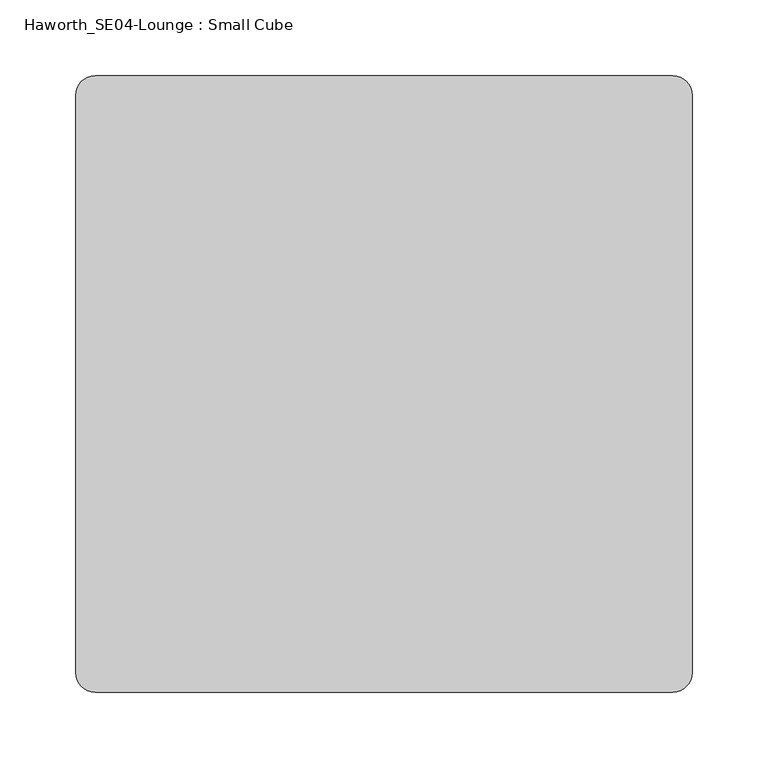
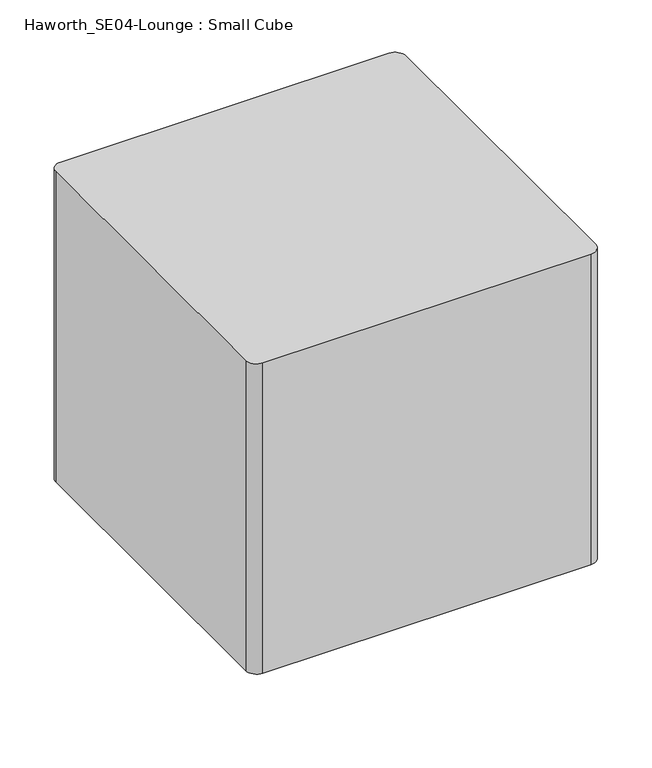
"""IFC4 building model written with IfcOpenShell, lengths in millimetres: furniture geometry, Haworth_SE04-Lounge : Small Cube."""

from ifc_helpers import new_model, si_unit, point, frame, frame_2d, origin, origin_with_axes, place, context, project, spatial, polyline, circle_curve, trimmed, segment, composite_curve, outline, extrude, source, transform, mapped, element, save


def haworth_se04_lounge_small_cube_48782dab(model_context):
    return source(origin(), model_context, "Body", "SweptSolid", [
        extrude(outline(composite_curve([segment(trimmed(circle_curve(frame_2d((-101.6, 101.6)), 34.925), [point((-136.525, 101.6))], [point((-66.675, 101.6))], False, "CARTESIAN"), True, "CONTINUOUS"), segment(trimmed(circle_curve(frame_2d((-101.6, 101.6)), 34.925), [point((-66.675, 101.6))], [point((-136.525, 101.6))], False, "CARTESIAN"), True, "CONTINUOUS")], self_intersect=False)), origin_with_axes(), (0.0, 0.0, 1.0), 50.8),
        extrude(outline(composite_curve([segment(trimmed(circle_curve(frame_2d((101.6, 101.6)), 38.1), [point((63.5, 101.6))], [point((139.7, 101.6))], False, "CARTESIAN"), True, "CONTINUOUS"), segment(trimmed(circle_curve(frame_2d((101.6, 101.6)), 38.1), [point((139.7, 101.6))], [point((63.5, 101.6))], False, "CARTESIAN"), True, "CONTINUOUS")], self_intersect=False)), origin_with_axes(), (0.0, 0.0, 1.0), 50.8),
        extrude(outline(composite_curve([segment(trimmed(circle_curve(frame_2d((101.6, -101.6)), 38.1), [point((63.5, -101.6))], [point((139.7, -101.6))], False, "CARTESIAN"), True, "CONTINUOUS"), segment(trimmed(circle_curve(frame_2d((101.6, -101.6)), 38.1), [point((139.7, -101.6))], [point((63.5, -101.6))], False, "CARTESIAN"), True, "CONTINUOUS")], self_intersect=False)), origin_with_axes(), (0.0, 0.0, 1.0), 50.8),
        extrude(outline(composite_curve([segment(trimmed(circle_curve(frame_2d((-101.6, -101.6)), 38.1), [point((-139.7, -101.6))], [point((-63.5, -101.6))], False, "CARTESIAN"), True, "CONTINUOUS"), segment(trimmed(circle_curve(frame_2d((-101.6, -101.6)), 38.1), [point((-63.5, -101.6))], [point((-139.7, -101.6))], False, "CARTESIAN"), True, "CONTINUOUS")], self_intersect=False)), origin_with_axes(), (0.0, 0.0, 1.0), 50.8),
        extrude(outline(composite_curve([segment(trimmed(circle_curve(frame_2d((190.5, 190.5)), 12.7), [point((190.5, 203.2))], [point((203.2, 190.5))], False, "CARTESIAN"), True, "CONTINUOUS"), segment(polyline([(203.2, 190.5), (203.2, -190.5)]), True, "CONTINUOUS"), segment(trimmed(circle_curve(frame_2d((190.5, -190.5)), 12.7), [point((203.2, -190.5))], [point((190.5, -203.2))], False, "CARTESIAN"), True, "CONTINUOUS"), segment(polyline([(190.5, -203.2), (-190.5, -203.2)]), True, "CONTINUOUS"), segment(trimmed(circle_curve(frame_2d((-190.5, -190.5)), 12.7), [point((-190.5, -203.2))], [point((-203.2, -190.5))], False, "CARTESIAN"), True, "CONTINUOUS"), segment(polyline([(-203.2, -190.5), (-203.2, 190.5)]), True, "CONTINUOUS"), segment(trimmed(circle_curve(frame_2d((-190.5, 190.5)), 12.7), [point((-203.2, 190.5))], [point((-190.5, 203.2))], False, "CARTESIAN"), True, "CONTINUOUS"), segment(polyline([(-190.5, 203.2), (190.5, 203.2)]), True, "CONTINUOUS")], self_intersect=False)), frame((0.0, 0.0, 50.8), z_axis=(0.0, 0.0, 1.0), x_axis=(1.0, 0.0, 0.0)), (0.0, 0.0, 1.0), 381.0),
    ])


if __name__ == "__main__":
    model = new_model("IFC4")
    model_context = context("Model", 3, world=origin())
    ifc_project = project(units=[si_unit("LENGTHUNIT", "METRE", prefix="MILLI")], contexts=[model_context])
    site = spatial("IfcSite", under=ifc_project)
    building = spatial("IfcBuilding", under=site)
    placement = place(None, origin())
    haworth_se04_lounge_small_cube_shape = haworth_se04_lounge_small_cube_48782dab(model_context)
    element("IfcFurniture", 1, ObjectType="Haworth_SE04-Lounge : Small Cube", at=placement, inside=building, context=model_context, shape_type="MappedRepresentation", body=[
        mapped(haworth_se04_lounge_small_cube_shape, transform((0.0, 0.0, 0.0), x_axis=(1.0, 0.0, 0.0), y_axis=(0.0, 1.0, 0.0), z_axis=(0.0, 0.0, 1.0))),
    ])
    save(model, "model.ifc")
